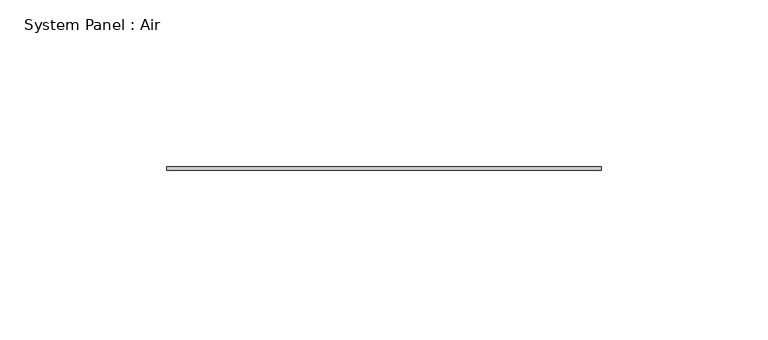
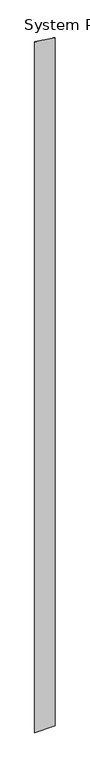
"""IFC4 building model written with IfcOpenShell, lengths in millimetres: plate geometry, System Panel : Air."""

from ifc_helpers import new_model, si_unit, frame, origin, place, context, project, spatial, polyline, outline, extrude, source, transform, mapped, element, save


def system_panel_air_21fec88d(model_context):
    return source(origin(), model_context, "Body", "SweptSolid", [
        extrude(outline(polyline([(0.0, -65.0), (0.0, 65.0), (4659.6012468, 65.0), (4678.8449222, -65.0), (0.0, -65.0)])), frame((0.0, 36.5, 0.0), z_axis=(0.0, 1.0, 0.0), x_axis=(0.0, 0.0, 1.0)), (0.0, 0.0, 1.0), 1.0),
    ])


if __name__ == "__main__":
    model = new_model("IFC4")
    model_context = context("Model", 3, world=origin())
    ifc_project = project(units=[si_unit("LENGTHUNIT", "METRE", prefix="MILLI")], contexts=[model_context])
    site = spatial("IfcSite", under=ifc_project)
    building = spatial("IfcBuilding", under=site)
    placement = place(None, origin())
    system_panel_air_shape = system_panel_air_21fec88d(model_context)
    element("IfcPlate", 1, ObjectType="System Panel : Air", at=placement, inside=building, context=model_context, shape_type="MappedRepresentation", body=[
        mapped(system_panel_air_shape, transform((0.0, 0.0, 0.0), x_axis=(1.0, 0.0, 0.0), y_axis=(0.0, 1.0, 0.0), z_axis=(0.0, 0.0, 1.0))),
    ])
    save(model, "model.ifc")
